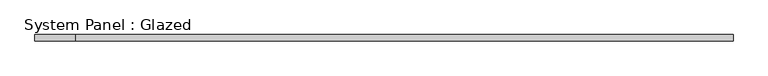
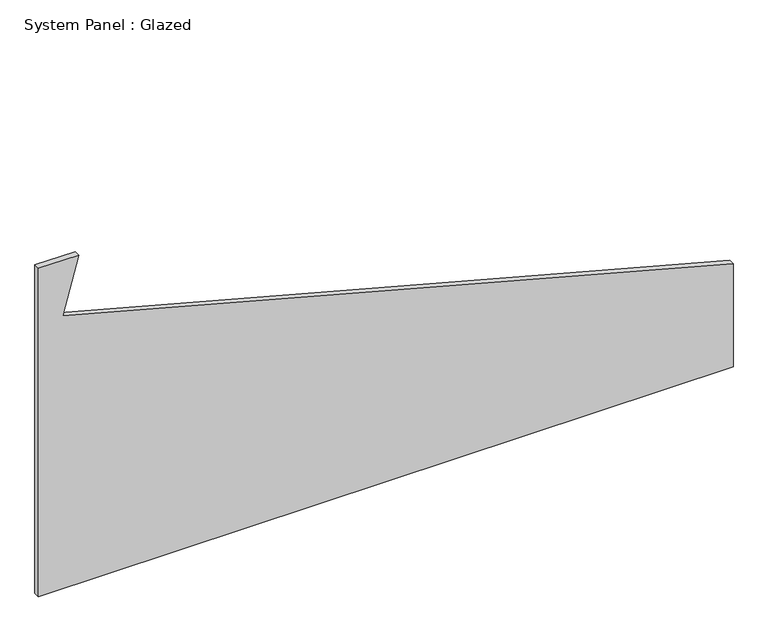
"""IFC4 building model written with IfcOpenShell, lengths in millimetres: plate geometry, System Panel : Glazed."""

from ifc_helpers import new_model, si_unit, frame, origin, place, context, project, spatial, polyline, outline, extrude, source, transform, mapped, element, save


def system_panel_glazed_dc906e18(model_context):
    return source(origin(), model_context, "Body", "SweptSolid", [
        extrude(outline(polyline([(0.0, -1425.0), (0.0, 1425.0), (446.8215877, 1425.0), (1183.5185434, -1324.3904687), (1425.0, -1259.6857074), (1425.0, -1425.0), (0.0, -1425.0)])), frame((0.0, -22.5, 0.0), z_axis=(0.0, 1.0, 0.0), x_axis=(0.0, 0.0, 1.0)), (0.0, 0.0, 1.0), 25.0),
    ])


if __name__ == "__main__":
    model = new_model("IFC4")
    model_context = context("Model", 3, world=origin())
    ifc_project = project(units=[si_unit("LENGTHUNIT", "METRE", prefix="MILLI")], contexts=[model_context])
    site = spatial("IfcSite", under=ifc_project)
    building = spatial("IfcBuilding", under=site)
    placement = place(None, origin())
    system_panel_glazed_shape = system_panel_glazed_dc906e18(model_context)
    element("IfcPlate", 1, ObjectType="System Panel : Glazed", at=placement, inside=building, context=model_context, shape_type="MappedRepresentation", body=[
        mapped(system_panel_glazed_shape, transform((0.0, 0.0, 0.0), x_axis=(1.0, 0.0, 0.0), y_axis=(0.0, 1.0, 0.0), z_axis=(0.0, 0.0, 1.0))),
    ])
    save(model, "model.ifc")
